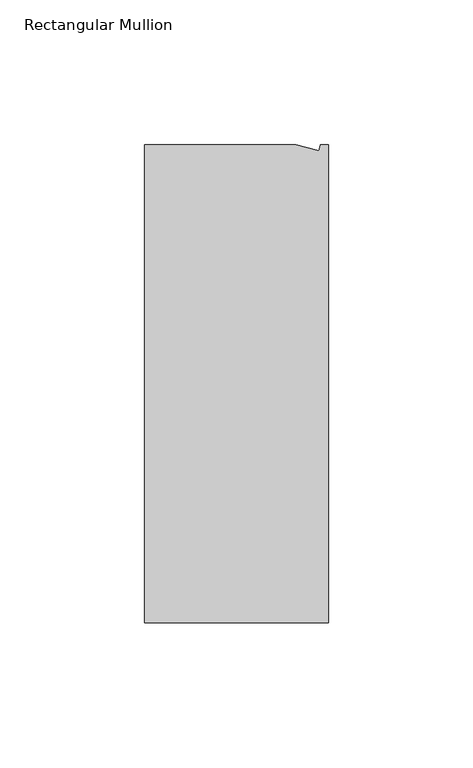
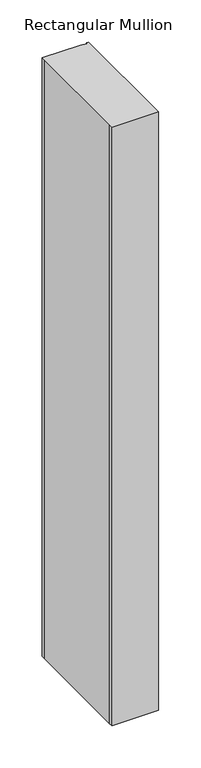
"""IFC4 building model written with IfcOpenShell, lengths in millimetres: member geometry, Rectangular Mullion."""

from ifc_helpers import new_model, si_unit, origin, place, context, project, spatial, faceted_brep, source, transform, mapped, element, save


def rectangular_mullion_ad03acb8(model_context):
    return source(origin(), model_context, "Body", "Brep", [
        faceted_brep([(0.0, -132.5561012, 0.0), (0.0, 32.5438988, 0.0), (-2.7630634, 32.5438988, 0.0), (-3.3223696, 30.4565397, 0.0), (-11.1125, 32.5438988, 0.0), (-63.5076469, 32.5438988, 0.0), (-63.5076469, 26.1938988, 0.0), (-63.5, -126.2061012, 0.0), (-63.5076469, -132.5561012, 0.0), (0.0, -132.5561012, -863.6), (-63.5076469, -132.5561012, -863.6), (-63.5076469, -126.2061012, -863.6), (-63.5, 26.1938988, -863.6), (-63.5076469, 32.5438988, -863.6), (-11.1125, 32.5438988, -863.6), (-3.3223696, 30.4565397, -863.6), (-2.7630634, 32.5438988, -863.6), (0.0, 32.5438988, -863.6)], [[[0, 1, 2, 3, 4, 5, 6, 7, 8]], [[9, 10, 11, 12, 13, 14, 15, 16, 17]], [[1, 0, 9, 17]], [[2, 1, 17, 16]], [[3, 2, 16, 15]], [[4, 3, 15, 14]], [[5, 4, 14, 13]], [[7, 6, 12, 11]], [[0, 8, 10, 9]], [[6, 5, 13, 12]], [[8, 7, 11, 10]]]),
    ])


if __name__ == "__main__":
    model = new_model("IFC4")
    model_context = context("Model", 3, world=origin())
    ifc_project = project(units=[si_unit("LENGTHUNIT", "METRE", prefix="MILLI")], contexts=[model_context])
    site = spatial("IfcSite", under=ifc_project)
    building = spatial("IfcBuilding", under=site)
    placement = place(None, origin())
    rectangular_mullion_shape = rectangular_mullion_ad03acb8(model_context)
    element("IfcMember", 1, ObjectType="Rectangular Mullion", at=placement, inside=building, context=model_context, shape_type="MappedRepresentation", body=[
        mapped(rectangular_mullion_shape, transform((0.0, 0.0, 0.0), x_axis=(1.0, 0.0, 0.0), y_axis=(0.0, 1.0, 0.0), z_axis=(0.0, 0.0, 1.0))),
    ])
    save(model, "model.ifc")
